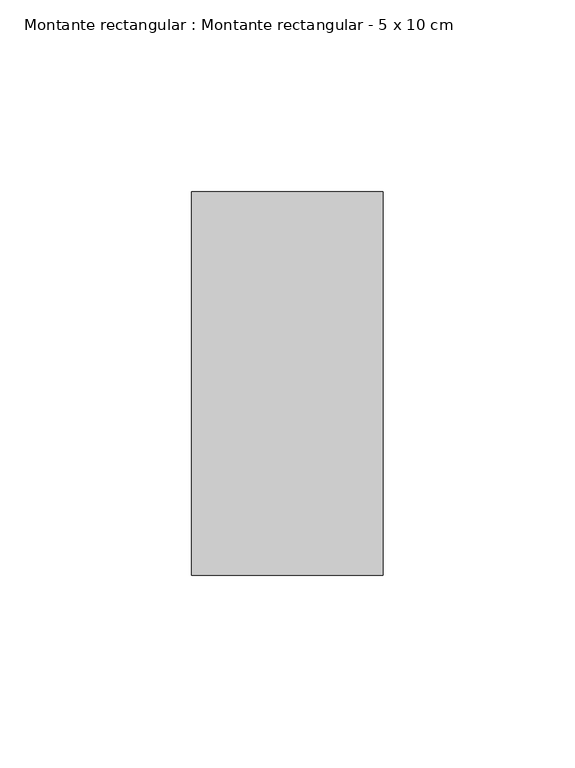
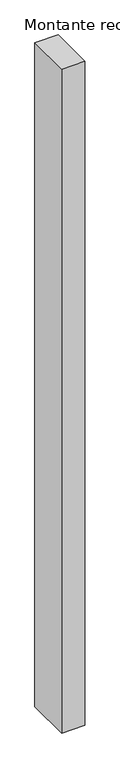
"""IFC4 building model written with IfcOpenShell, lengths in millimetres: member geometry, Montante rectangular : Montante rectangular - 5 x 10 cm."""

from ifc_helpers import new_model, si_unit, frame, origin, place, context, project, spatial, polyline, outline, extrude, source, transform, mapped, element, save


def montante_rectangular_montante_rectangular_5_x_10_cm_53e13716(model_context):
    return source(origin(), model_context, "Body", "SweptSolid", [
        extrude(outline(polyline([(0.0, 50.0), (0.0, -50.0), (-50.0, -50.0), (-50.0, 50.0), (0.0, 50.0)])), frame((0.0, 0.0, -1519.2228533), z_axis=(0.0, 0.0, 1.0), x_axis=(1.0, 0.0, 0.0)), (0.0, 0.0, 1.0), 1519.2228533),
    ])


if __name__ == "__main__":
    model = new_model("IFC4")
    model_context = context("Model", 3, world=origin())
    ifc_project = project(units=[si_unit("LENGTHUNIT", "METRE", prefix="MILLI")], contexts=[model_context])
    site = spatial("IfcSite", under=ifc_project)
    building = spatial("IfcBuilding", under=site)
    placement = place(None, origin())
    montante_rectangular_montante_rectangular_5_x_10_cm_shape = montante_rectangular_montante_rectangular_5_x_10_cm_53e13716(model_context)
    element("IfcMember", 1, ObjectType="Montante rectangular : Montante rectangular - 5 x 10 cm", at=placement, inside=building, context=model_context, shape_type="MappedRepresentation", body=[
        mapped(montante_rectangular_montante_rectangular_5_x_10_cm_shape, transform((0.0, 0.0, 0.0), x_axis=(1.0, 0.0, 0.0), y_axis=(0.0, 1.0, 0.0), z_axis=(0.0, 0.0, 1.0))),
    ])
    save(model, "model.ifc")
